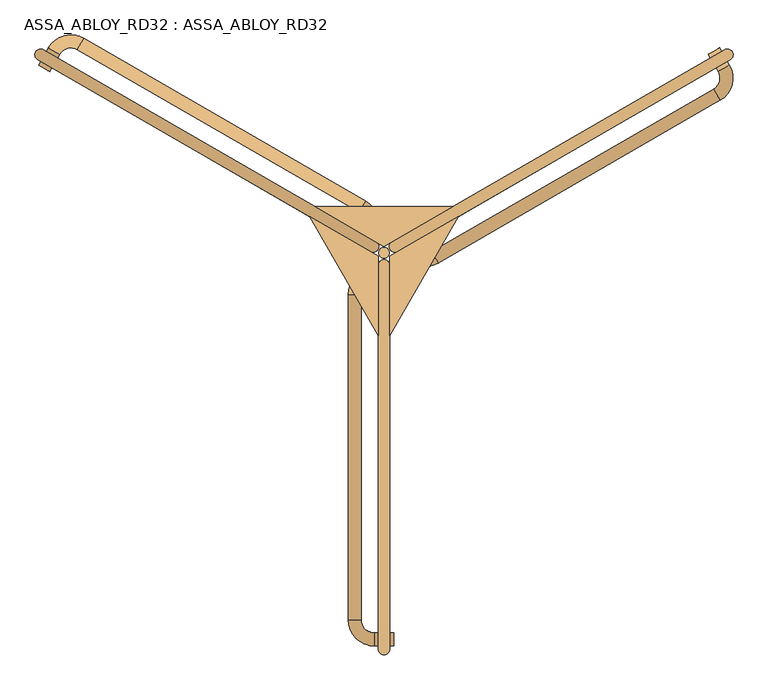
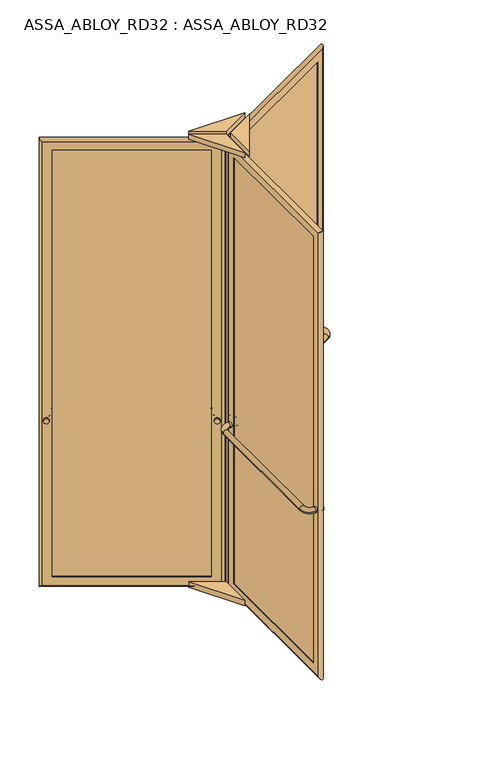
"""IFC4 building model written with IfcOpenShell, lengths in millimetres: door geometry, ASSA_ABLOY_RD32 : ASSA_ABLOY_RD32."""

import ifcopenshell
import ifcopenshell.guid

model = None  # the IFC model being written
_history = None  # IfcOwnerHistory: only IFC2X3 demands one
_inside = {}  # id of a spatial element -> (the spatial element, [elements in it])
_under = {}  # id of a project, library or spatial element -> (it, [spatial elements below it])
_declared = {}  # id of a project -> (the project, [libraries it declares])
_typed = {}  # id of a type object -> (the type object, [elements of that type])
_made_of = {}  # id of a material, layer set ... -> (it, [elements and type objects made of it])


def new_model(schema):
    """Start an empty IFC model of exactly this schema.

    Asked for "IFC4X3", IfcOpenShell would pick the latest addendum, in which some entities
    have other attributes; the version numbers below select the first issue.
    IFC2X3 requires an IfcOwnerHistory on every rooted entity: one is made here for all.
    """
    global model, _history
    if schema == "IFC4X3":
        model = ifcopenshell.file(schema_version=(4, 3, 0, 0))
    else:
        model = ifcopenshell.file(schema=schema)
    _inside.clear()
    _under.clear()
    _declared.clear()
    _typed.clear()
    _made_of.clear()
    _history = None
    if model.schema == "IFC2X3":
        org = make("IfcOrganization", Name="unknown")
        user = make(
            "IfcPersonAndOrganization",
            ThePerson=make("IfcPerson", FamilyName="unknown"),
            TheOrganization=org,
        )
        app = make(
            "IfcApplication",
            ApplicationDeveloper=org,
            Version="unknown",
            ApplicationFullName="unknown",
            ApplicationIdentifier="unknown",
        )
        _history = make(
            "IfcOwnerHistory",
            OwningUser=user,
            OwningApplication=app,
            ChangeAction="ADDED",
            CreationDate=0,
        )
    return model


def make(cls, **values):
    """One entity of the class cls with the attributes given. An attribute that is None is left unset."""
    return model.create_entity(
        cls, **{name: value for name, value in values.items() if value is not None}
    )


def rooted(cls, **values):
    """An entity with a GlobalId (a new one), such as an element, a storey or a relation."""
    return make(cls, GlobalId=ifcopenshell.guid.new(), OwnerHistory=_history, **values)


def si_unit(unit_type, name, prefix=None):
    """IfcSIUnit, for example si_unit("LENGTHUNIT", "METRE", prefix="MILLI")."""
    return make("IfcSIUnit", UnitType=unit_type, Prefix=prefix, Name=name)


def assignment(units):
    """IfcUnitAssignment: the units of a project."""
    return None if units is None else make("IfcUnitAssignment", Units=units)


def point(xyz):
    """IfcCartesianPoint."""
    return None if xyz is None else make("IfcCartesianPoint", Coordinates=xyz)


def direction(xyz):
    """IfcDirection."""
    return None if xyz is None else make("IfcDirection", DirectionRatios=xyz)


def frame(location, z_axis=None, x_axis=None):
    """IfcAxis2Placement3D, a coordinate frame: its origin and axes. An axis left out is left unset."""
    return make(
        "IfcAxis2Placement3D",
        Location=point(location),
        Axis=direction(z_axis),
        RefDirection=direction(x_axis),
    )


def frame_2d(location, x_axis=None):
    """IfcAxis2Placement2D, a coordinate frame in the plane: its origin and x axis."""
    return make(
        "IfcAxis2Placement2D", Location=point(location), RefDirection=direction(x_axis)
    )


def origin():
    """The frame at (0, 0, 0) with its axes left unset."""
    return frame((0.0, 0.0, 0.0))


def origin_with_axes():
    """The frame at (0, 0, 0) with the z axis (0, 0, 1) and the x axis (1, 0, 0) written out."""
    return frame((0.0, 0.0, 0.0), z_axis=(0.0, 0.0, 1.0), x_axis=(1.0, 0.0, 0.0))


def origin_2d():
    """The frame at (0, 0) in the plane with its x axis left unset."""
    return frame_2d((0.0, 0.0))


def place(relative_to, where):
    """IfcLocalPlacement: puts the frame where relative to a parent placement (None: the world)."""
    return make(
        "IfcLocalPlacement", PlacementRelTo=relative_to, RelativePlacement=where
    )


def context(
    kind, dimensions, precision=None, world=None, true_north=None, identifier=None
):
    """IfcGeometricRepresentationContext, for example the 3D "Model" context."""
    return make(
        "IfcGeometricRepresentationContext",
        ContextIdentifier=identifier,
        ContextType=kind,
        CoordinateSpaceDimension=dimensions,
        Precision=precision,
        WorldCoordinateSystem=world,
        TrueNorth=true_north,
    )


def project(units=None, contexts=None):
    """IfcProject with its units and contexts."""
    return rooted(
        "IfcProject",
        Name="project",
        RepresentationContexts=contexts,
        UnitsInContext=assignment(units),
    )


def spatial(cls, under=None, at=None, **own):
    """A site, building, storey or space (cls), placed at a placement, below another one or the project."""
    s = rooted(cls, ObjectPlacement=at, **own)
    if under is not None:
        _under.setdefault(under.id(), (under, []))[1].append(s)
    return s


def polyline(points):
    """IfcPolyline through the points."""
    return make("IfcPolyline", Points=[point(p) for p in points])


def circle_curve(where, radius):
    """IfcCircle in the frame where."""
    return make("IfcCircle", Position=where, Radius=radius)


def ellipse_curve(where, semi_axis1, semi_axis2):
    """IfcEllipse in the frame where."""
    return make(
        "IfcEllipse", Position=where, SemiAxis1=semi_axis1, SemiAxis2=semi_axis2
    )


def trimmed(basis, trim1, trim2, sense, master):
    """IfcTrimmedCurve: the piece of a basis curve between two trims."""
    return make(
        "IfcTrimmedCurve",
        BasisCurve=basis,
        Trim1=trim1,
        Trim2=trim2,
        SenseAgreement=sense,
        MasterRepresentation=master,
    )


def segment(curve, same_sense, transition):
    """IfcCompositeCurveSegment."""
    return make(
        "IfcCompositeCurveSegment",
        Transition=transition,
        SameSense=same_sense,
        ParentCurve=curve,
    )


def composite_curve(segments, self_intersect=None):
    """IfcCompositeCurve: segments joined end to end."""
    return make("IfcCompositeCurve", Segments=segments, SelfIntersect=self_intersect)


def outline(outer, holes=None, kind="AREA"):
    """IfcArbitraryClosedProfileDef: a profile drawn as a closed curve; with holes, ...WithVoids."""
    if holes is None:
        return make("IfcArbitraryClosedProfileDef", ProfileType=kind, OuterCurve=outer)
    return make(
        "IfcArbitraryProfileDefWithVoids",
        ProfileType=kind,
        OuterCurve=outer,
        InnerCurves=holes,
    )


def extrude(swept, where, along, depth):
    """IfcExtrudedAreaSolid: the profile swept, set in the frame where, extruded along a direction by depth."""
    return make(
        "IfcExtrudedAreaSolid",
        SweptArea=swept,
        Position=where,
        ExtrudedDirection=direction(along),
        Depth=depth,
    )


def shape(context_of_items, identifier, shape_type, items):
    """IfcShapeRepresentation: the items that make up one representation, for example the "Body"."""
    return make(
        "IfcShapeRepresentation",
        ContextOfItems=context_of_items,
        RepresentationIdentifier=identifier,
        RepresentationType=shape_type,
        Items=items,
    )


def source(mapping_origin, context_of_items, identifier, shape_type, items):
    """IfcRepresentationMap: a shape defined once, which mapped items show again and again."""
    return make(
        "IfcRepresentationMap",
        MappingOrigin=mapping_origin,
        MappedRepresentation=shape(context_of_items, identifier, shape_type, items),
    )


def transform(
    local_origin,
    x_axis=None,
    y_axis=None,
    z_axis=None,
    scale=None,
    scale2=None,
    scale3=None,
    uniform=True,
):
    """IfcCartesianTransformationOperator3D, or its non-uniform kind. x_axis, y_axis, z_axis: its Axis1, 2, 3."""
    if uniform:
        return make(
            "IfcCartesianTransformationOperator3D",
            Axis1=direction(x_axis),
            Axis2=direction(y_axis),
            LocalOrigin=point(local_origin),
            Scale=scale,
            Axis3=direction(z_axis),
        )
    return make(
        "IfcCartesianTransformationOperator3DnonUniform",
        Axis1=direction(x_axis),
        Axis2=direction(y_axis),
        LocalOrigin=point(local_origin),
        Scale=scale,
        Axis3=direction(z_axis),
        Scale2=scale2,
        Scale3=scale3,
    )


def mapped(mapping_source, mapping_target):
    """IfcMappedItem: shows the shape of a source again, moved by a transform."""
    return make(
        "IfcMappedItem", MappingSource=mapping_source, MappingTarget=mapping_target
    )


def made_of(thing, what):
    """Note that an element or type object is made of a material, layer set ...; save() writes the relation."""
    if what is not None:
        _made_of.setdefault(what.id(), (what, []))[1].append(thing)
    return thing


def element(
    cls,
    number,
    at=None,
    inside=None,
    cuts=None,
    type_object=None,
    material=None,
    context=None,
    identifier="Body",
    shape_type=None,
    held_by="IfcProductDefinitionShape",
    body=None,
    shapes=None,
    **own,
):
    """One element of the class cls, such as IfcWall. Its Tag is "e" and its number.

    at: its placement. inside: the storey or other place that contains it. cuts: it is an
    opening in that element (IfcRelVoidsElement). A single representation is given by context,
    identifier, shape_type and body (its items); several are given by shapes. held_by: the class
    of the entity that holds the representations. save() writes the other relations.
    """
    e = rooted(cls, Tag="e%d" % number, ObjectPlacement=at, **own)
    if body is not None:
        shapes = [shape(context, identifier, shape_type, body)]
    if shapes is not None:
        e.Representation = make(held_by, Representations=shapes)
    if inside is not None:
        _inside.setdefault(inside.id(), (inside, []))[1].append(e)
    if cuts is not None:
        rooted(
            "IfcRelVoidsElement", RelatingBuildingElement=cuts, RelatedOpeningElement=e
        )
    if type_object is not None:
        _typed.setdefault(type_object.id(), (type_object, []))[1].append(e)
    return made_of(e, material)


def aggregate(whole, parts):
    """IfcRelAggregates: a whole, such as a stair, and the parts it consists of."""
    return rooted("IfcRelAggregates", RelatingObject=whole, RelatedObjects=parts)


def save(model, path):
    """Write the relations noted so far, then the file.

    IfcRelAggregates (storeys below a building ...), IfcRelContainedInSpatialStructure (elements
    in a storey), IfcRelDefinesByType, IfcRelAssociatesMaterial and IfcRelDeclares: one each for
    every whole, place, type object, material and project.
    """
    for whole, parts in _under.values():
        aggregate(whole, parts)
    for where, things in _inside.values():
        rooted(
            "IfcRelContainedInSpatialStructure",
            RelatedElements=things,
            RelatingStructure=where,
        )
    for kind, things in _typed.values():
        rooted("IfcRelDefinesByType", RelatedObjects=things, RelatingType=kind)
    for what, things in _made_of.values():
        rooted("IfcRelAssociatesMaterial", RelatedObjects=things, RelatingMaterial=what)
    for by, libraries in _declared.values():
        rooted("IfcRelDeclares", RelatingContext=by, RelatedDefinitions=libraries)
    model.write(path)


def plane_surface(at):
    """IfcPlane: the flat surface through the origin of the frame at, square to its z axis."""
    return make("IfcPlane", Position=at)


def cylinder_surface(at, radius):
    """IfcCylindricalSurface: all points at the distance radius from the z axis of the frame at."""
    return make("IfcCylindricalSurface", Position=at, Radius=radius)


def revolved_surface(curve, axis_point, axis_direction):
    """IfcSurfaceOfRevolution: the curve turned about the line through axis_point along axis_direction."""
    return make(
        "IfcSurfaceOfRevolution",
        SweptCurve=make("IfcArbitraryOpenProfileDef", ProfileType="CURVE", Curve=curve),
        AxisPosition=make("IfcAxis1Placement", Location=point(axis_point), Axis=direction(axis_direction)),
    )


def advanced_brep(points, edges, surfaces, faces):
    """IfcAdvancedBrep: a solid bounded by faces that lie on surfaces and meet in shared edges.

    An edge is (start, end): straight between two places in points (the first is 0);
    or (start, end, curve); or (start, end, curve, False) where it runs against its curve.
    A face is (place in surfaces, loops), or (place, loops, False) where it looks against
    its surface's normal. A loop lists edges by number (the first is 1), with a minus sign
    where the edge is run from its end to its start. The first loop is the outer one.
    """
    corners = [point(p) for p in points]
    vertices = [make("IfcVertexPoint", VertexGeometry=c) for c in corners]
    made = []
    for start, end, *more in edges:
        made.append(
            make(
                "IfcEdgeCurve",
                EdgeStart=vertices[start],
                EdgeEnd=vertices[end],
                EdgeGeometry=more[0] if more else make("IfcPolyline", Points=[corners[start], corners[end]]),
                SameSense=more[1] if len(more) > 1 else True,
            )
        )
    hull = []
    for where, loops, *sense in faces:
        bounds = []
        for j, loop in enumerate(loops):
            ring = [make("IfcOrientedEdge", EdgeElement=made[abs(k) - 1], Orientation=k > 0) for k in loop]
            bounds.append(
                make(
                    "IfcFaceOuterBound" if j == 0 else "IfcFaceBound",
                    Bound=make("IfcEdgeLoop", EdgeList=ring),
                    Orientation=True,
                )
            )
        hull.append(make("IfcAdvancedFace", Bounds=bounds, FaceSurface=surfaces[where], SameSense=sense[0] if sense else True))
    return make("IfcAdvancedBrep", Outer=make("IfcClosedShell", CfsFaces=hull))


def assa_abloy_rd32_assa_abloy_rd32_c6aca465(model_context):
    return source(origin(), model_context, "Body", "SolidModel", [
        extrude(outline(composite_curve([segment(trimmed(circle_curve(origin_2d(), 15.0), [point((0.0, 15.0))], [point((0.0, -15.0))], False, "CARTESIAN"), True, "CONTINUOUS"), segment(trimmed(circle_curve(origin_2d(), 15.0), [point((0.0, -15.0))], [point((0.0, 15.0))], False, "CARTESIAN"), True, "CONTINUOUS")], self_intersect=False)), frame((894.6319669, 459.3583302, 1050.0), z_axis=(-0.4999999999999966, 0.8660254037844406, 0.0), x_axis=(0.0, 0.0, 1.0)), (0.0, 0.0, 1.0), 10.0),
        extrude(outline(composite_curve([segment(trimmed(circle_curve(origin_2d(), 15.0), [point((0.0, 15.0))], [point((0.0, -15.0))], False, "CARTESIAN"), True, "CONTINUOUS"), segment(trimmed(circle_curve(origin_2d(), 15.0), [point((0.0, -15.0))], [point((0.0, 15.0))], False, "CARTESIAN"), True, "CONTINUOUS")], self_intersect=False)), frame((163.533321, 37.2583302, 1050.0), z_axis=(-0.4999999999999966, 0.8660254037844406, 0.0), x_axis=(0.0, 0.0, 1.0)), (0.0, 0.0, 1.0), 10.0),
        advanced_brep(
        [(163.5429399, 7.2416698, 1050.0), (189.5237021, 22.2416698, 1050.0), (168.5429399, -1.4185843, 1050.0), (194.5237021, 13.5814157, 1050.0), (235.5044642, 2.6006536, 1050.0), (250.5044642, -23.3801085, 1050.0), (903.6608237, 353.7198915, 1050.0), (888.6608237, 379.7006536, 1050.0), (899.6415858, 420.6814157, 1050.0), (925.6223479, 435.6814157, 1050.0), (920.6223479, 444.3416698, 1050.0), (894.6415858, 429.3416698, 1050.0)],
        [
            (0, 1, circle_curve(frame((176.533321, 14.7416698, 1050.0), z_axis=(-0.4999999999999966, 0.8660254037844406, 0.0), x_axis=(0.8660254037844406, 0.4999999999999966, 0.0)), 15.0)),
            (1, 0, circle_curve(frame((176.533321, 14.7416698, 1050.0), z_axis=(-0.4999999999999966, 0.8660254037844406, 0.0), x_axis=(0.8660254037844406, 0.4999999999999966, 0.0)), 15.0)),
            (0, 2),
            (2, 3, circle_curve(frame((181.533321, 6.0814157, 1050.0), z_axis=(-0.4999999999999966, 0.8660254037844406, 0.0), x_axis=(0.8660254037844406, 0.4999999999999966, 0.0)), 15.0)),
            (3, 1),
            (3, 2, circle_curve(frame((181.533321, 6.0814157, 1050.0), z_axis=(-0.4999999999999966, 0.8660254037844406, 0.0), x_axis=(0.8660254037844406, 0.4999999999999966, 0.0)), 15.0)),
            (4, 3, circle_curve(frame((220.5044642, 28.5814157, 1050.0), z_axis=(0.0, 0.0, -1.0), x_axis=(-0.8660254037844438, -0.499999999999991, 0.0)), 30.0)),
            (2, 5, circle_curve(frame((220.5044642, 28.5814157, 1050.0), z_axis=(0.0, 0.0, 1.0), x_axis=(-0.8660254037844438, -0.499999999999991, 0.0)), 60.0)),
            (5, 4, circle_curve(frame((243.0044642, -10.3897275, 1050.0), z_axis=(-0.8660254037844638, -0.49999999999995637, 0.0), x_axis=(-0.49999999999995637, 0.8660254037844638, 0.0)), 15.0)),
            (4, 5, circle_curve(frame((243.0044642, -10.3897275, 1050.0), z_axis=(-0.866025403784482, -0.4999999999999248, 0.0), x_axis=(-0.4999999999999248, 0.866025403784482, 0.0)), 15.0)),
            (5, 6),
            (6, 7, circle_curve(frame((896.1608237, 366.7102725, 1050.0), z_axis=(-0.8660254037844406, -0.4999999999999966, 0.0), x_axis=(-0.4999999999999966, 0.8660254037844406, 0.0)), 15.0)),
            (7, 4),
            (7, 6, circle_curve(frame((896.1608237, 366.7102725, 1050.0), z_axis=(-0.8660254037844406, -0.4999999999999966, 0.0), x_axis=(-0.4999999999999966, 0.8660254037844406, 0.0)), 15.0)),
            (8, 7, circle_curve(frame((873.6608237, 405.6814157, 1050.0), z_axis=(0.0, 0.0, -1.0), x_axis=(0.4999999999999914, -0.8660254037844436, 0.0)), 30.0)),
            (6, 9, circle_curve(frame((873.6608237, 405.6814157, 1050.0), z_axis=(0.0, 0.0, 1.0), x_axis=(0.4999999999999914, -0.8660254037844436, 0.0)), 60.0)),
            (9, 8, circle_curve(frame((912.6319669, 428.1814157, 1050.0), z_axis=(0.4999999999999946, -0.8660254037844417, 0.0), x_axis=(-0.8660254037844417, -0.4999999999999946, 0.0)), 15.0)),
            (8, 9, circle_curve(frame((912.6319669, 428.1814157, 1050.0), z_axis=(0.4999999999999925, -0.8660254037844429, 0.0), x_axis=(-0.8660254037844429, -0.4999999999999925, 0.0)), 15.0)),
            (10, 11, circle_curve(frame((907.6319669, 436.8416698, 1050.0), z_axis=(-0.4999999999999966, 0.8660254037844406, 0.0), x_axis=(-0.8660254037844406, -0.4999999999999966, 0.0)), 15.0)),
            (11, 10, circle_curve(frame((907.6319669, 436.8416698, 1050.0), z_axis=(-0.4999999999999966, 0.8660254037844406, 0.0), x_axis=(-0.8660254037844406, -0.4999999999999966, 0.0)), 15.0)),
            (9, 10),
            (11, 8),
        ],
        [
            plane_surface(frame((176.533321, 14.7416698, 1050.0), z_axis=(-0.4999999999999966, 0.8660254037844406, 0.0), x_axis=(0.0, 0.0, 1.0))),
            cylinder_surface(frame((176.533321, 14.7416698, 1050.0), z_axis=(-0.4999999999999966, 0.8660254037844406, 0.0), x_axis=(0.8660254037844406, 0.4999999999999966, 0.0)), 15.0),
            revolved_surface(trimmed(ellipse_curve(frame((181.533321, 6.0814157, 1050.0), z_axis=(-0.499999999999991, 0.8660254037844438, 0.0), x_axis=(0.8660254037844438, 0.499999999999991, 0.0)), 15.0, 15.0), [point((168.5429399, -1.4185843, 1050.0))], [point((194.5237021, 13.5814157, 1050.0))], True, "CARTESIAN"), (220.5044642, 28.5814157, 1050.0), (0.0, 0.0, 1.0)),
            revolved_surface(trimmed(ellipse_curve(frame((181.533321, 6.0814157, 1050.0), z_axis=(-0.499999999999991, 0.8660254037844438, 0.0), x_axis=(0.8660254037844438, 0.499999999999991, 0.0)), 15.0, 15.0), [point((194.5237021, 13.5814157, 1050.0))], [point((168.5429399, -1.4185843, 1050.0))], True, "CARTESIAN"), (220.5044642, 28.5814157, 1050.0), (0.0, 0.0, 1.0)),
            cylinder_surface(frame((243.0044642, -10.3897275, 1050.0), z_axis=(-0.8660254037844406, -0.4999999999999966, 0.0), x_axis=(-0.4999999999999966, 0.8660254037844406, 0.0)), 15.0),
            revolved_surface(trimmed(ellipse_curve(frame((896.1608237, 366.7102725, 1050.0), z_axis=(-0.8660254037844436, -0.4999999999999914, 0.0), x_axis=(-0.4999999999999914, 0.8660254037844436, 0.0)), 15.0, 15.0), [point((903.6608237, 353.7198915, 1050.0))], [point((888.6608237, 379.7006536, 1050.0))], True, "CARTESIAN"), (873.6608237, 405.6814157, 1050.0), (0.0, 0.0, 1.0)),
            revolved_surface(trimmed(ellipse_curve(frame((896.1608237, 366.7102725, 1050.0), z_axis=(-0.8660254037844436, -0.4999999999999914, 0.0), x_axis=(-0.4999999999999914, 0.8660254037844436, 0.0)), 15.0, 15.0), [point((888.6608237, 379.7006536, 1050.0))], [point((903.6608237, 353.7198915, 1050.0))], True, "CARTESIAN"), (873.6608237, 405.6814157, 1050.0), (0.0, 0.0, 1.0)),
            plane_surface(frame((907.6319669, 436.8416698, 1050.0), z_axis=(-0.4999999999999966, 0.8660254037844406, 0.0), x_axis=(0.0, 0.0, 1.0))),
            cylinder_surface(frame((912.6319669, 428.1814157, 1050.0), z_axis=(0.4999999999999966, -0.8660254037844406, 0.0), x_axis=(-0.8660254037844406, -0.4999999999999966, 0.0)), 15.0),
        ],
        [
            (0, [[1, 2]]),
            (1, [[-1, 3, 4, 5]]),
            (1, [[-2, -5, 6, -3]]),
            (2, [[7, -4, 8, 9]]),
            (3, [[-8, -6, -7, 10]]),
            (4, [[-9, 11, 12, 13]]),
            (4, [[-10, -13, 14, -11]]),
            (5, [[15, -12, 16, 17]]),
            (6, [[-16, -14, -15, 18]]),
            (7, [[19, 20]]),
            (8, [[-17, 21, -20, 22]]),
            (8, [[-18, -22, -19, -21]]),
        ],
    ),
        advanced_brep(
        [(881.0172302, 424.939746, 105.0), (882.5172302, 422.3416698, 105.0), (882.5172302, 422.3416698, 2679.0), (881.0172302, 424.939746, 2679.0), (888.3377382, 452.260254, 85.0), (898.3377382, 434.939746, 85.0), (898.3377382, 434.939746, 2699.0), (888.3377382, 452.260254, 2699.0), (869.5172302, 444.8583302, 105.0), (871.0172302, 442.260254, 105.0), (871.0172302, 442.260254, 2679.0), (869.5172302, 444.8583302, 2679.0), (927.5505512, 448.3416698, 53.0), (914.5505512, 470.8583302, 53.0), (914.5505512, 470.8583302, 2731.0), (927.5505512, 448.3416698, 2731.0), (201.6480577, 29.2416698, 2679.0), (200.1480577, 31.839746, 2679.0), (182.8275496, 21.839746, 2699.0), (172.8275496, 39.160254, 2699.0), (190.1480577, 49.160254, 2679.0), (188.6480577, 51.7583302, 2679.0), (143.6147367, 25.7583302, 2731.0), (156.6147367, 3.2416698, 2731.0), (201.6480577, 29.2416698, 105.0), (200.1480577, 31.839746, 105.0), (182.8275496, 21.839746, 85.0), (172.8275496, 39.160254, 85.0), (190.1480577, 49.160254, 105.0), (188.6480577, 51.7583302, 105.0), (143.6147367, 25.7583302, 53.0), (156.6147367, 3.2416698, 53.0)],
        [
            (0, 1),
            (1, 2),
            (2, 3),
            (3, 0),
            (4, 5),
            (5, 6),
            (6, 7),
            (7, 4),
            (8, 9),
            (9, 10),
            (10, 11),
            (11, 8),
            (12, 13, ellipse_curve(frame((921.0505512, 459.6, 53.0), z_axis=(0.6123724356958007, 0.35355339059326285, 0.7071067811865475), x_axis=(0.6123724356957908, 0.3535533905932797, -0.7071067811865477)), 18.3847763, 13.0)),
            (13, 14),
            (14, 15, ellipse_curve(frame((921.0505512, 459.6, 2731.0), z_axis=(0.612372435695791, 0.3535533905932798, -0.7071067811865475), x_axis=(-0.6123724356958007, -0.3535533905932628, -0.7071067811865476)), 18.3847763, 13.0)),
            (15, 12),
            (2, 16),
            (16, 17),
            (17, 3),
            (6, 18),
            (18, 19),
            (19, 7),
            (10, 20),
            (20, 21),
            (21, 11),
            (14, 22),
            (22, 23, ellipse_curve(frame((150.1147367, 14.5, 2731.0), z_axis=(0.6123724356958007, 0.35355339059326285, 0.7071067811865475), x_axis=(0.6123724356957913, 0.35355339059327995, -0.7071067811865472)), 18.3847763, 13.0)),
            (23, 15),
            (16, 24),
            (24, 25),
            (25, 17),
            (18, 26),
            (26, 27),
            (27, 19),
            (20, 28),
            (28, 29),
            (29, 21),
            (22, 30),
            (30, 31, ellipse_curve(frame((150.1147367, 14.5, 53.0), z_axis=(-0.612372435695791, -0.3535533905932798, 0.7071067811865475), x_axis=(0.6123724356958007, 0.3535533905932628, 0.7071067811865476)), 18.3847763, 13.0)),
            (31, 23),
            (24, 1),
            (0, 25),
            (5, 26),
            (4, 27),
            (9, 28),
            (8, 29),
            (13, 30),
            (12, 31),
        ],
        [
            plane_surface(frame((882.5172302, 422.3416698, 105.0), z_axis=(-0.8660254037844419, -0.49999999999999445, 0.0), x_axis=(0.0, 0.0, 1.0))),
            plane_surface(frame((898.3377382, 434.939746, 85.0), z_axis=(-0.8660254037844408, -0.4999999999999964, 0.0), x_axis=(0.0, 0.0, 1.0))),
            plane_surface(frame((871.0172302, 442.260254, 105.0), z_axis=(-0.8660254037844419, -0.49999999999999445, 0.0), x_axis=(0.0, 0.0, 1.0))),
            cylinder_surface(frame((921.0505512, 459.6, 40.0), z_axis=(0.0, 0.0, -1.0), x_axis=(-0.8660254037844406, -0.4999999999999966, 0.0)), 13.0),
            plane_surface(frame((882.5172302, 422.3416698, 2679.0), z_axis=(0.0, 0.0, -1.0), x_axis=(-0.8660254037844406, -0.4999999999999966, 0.0))),
            plane_surface(frame((898.3377382, 434.939746, 2699.0), z_axis=(0.0, 0.0, -1.0), x_axis=(-0.8660254037844406, -0.4999999999999966, 0.0))),
            plane_surface(frame((871.0172302, 442.260254, 2679.0), z_axis=(0.0, 0.0, -1.0), x_axis=(-0.8660254037844406, -0.4999999999999966, 0.0))),
            cylinder_surface(frame((932.3088814, 466.1, 2731.0), z_axis=(0.8660254037844406, 0.4999999999999966, 0.0), x_axis=(0.0, 0.0, -1.0)), 13.0),
            plane_surface(frame((201.6480577, 29.2416698, 2679.0), z_axis=(0.8660254037844394, 0.49999999999999883, 0.0), x_axis=(0.0, 0.0, -1.0))),
            plane_surface(frame((182.8275496, 21.839746, 2699.0), z_axis=(0.8660254037844405, 0.4999999999999969, 0.0), x_axis=(0.0, 0.0, -1.0))),
            plane_surface(frame((190.1480577, 49.160254, 2679.0), z_axis=(0.8660254037844394, 0.49999999999999883, 0.0), x_axis=(0.0, 0.0, -1.0))),
            cylinder_surface(frame((150.1147367, 14.5, 2744.0), z_axis=(0.0, 0.0, 1.0), x_axis=(0.8660254037844406, 0.4999999999999966, 0.0)), 13.0),
            plane_surface(frame((201.6480577, 29.2416698, 105.0), z_axis=(0.0, 0.0, 1.0), x_axis=(0.8660254037844406, 0.4999999999999966, 0.0))),
            plane_surface(frame((200.1480577, 31.839746, 105.0), z_axis=(-0.4999999999999966, 0.8660254037844406, 0.0), x_axis=(0.8660254037844406, 0.4999999999999966, 0.0))),
            plane_surface(frame((182.8275496, 21.839746, 85.0), z_axis=(0.0, 0.0, 1.0), x_axis=(0.8660254037844406, 0.4999999999999966, 0.0))),
            plane_surface(frame((172.8275496, 39.160254, 85.0), z_axis=(0.4999999999999966, -0.8660254037844406, 0.0), x_axis=(0.8660254037844406, 0.4999999999999966, 0.0))),
            plane_surface(frame((190.1480577, 49.160254, 105.0), z_axis=(0.0, 0.0, 1.0), x_axis=(0.8660254037844406, 0.4999999999999966, 0.0))),
            plane_surface(frame((188.6480577, 51.7583302, 105.0), z_axis=(-0.4999999999999966, 0.8660254037844406, 0.0), x_axis=(0.8660254037844406, 0.4999999999999966, 0.0))),
            cylinder_surface(frame((138.8564065, 8.0, 53.0), z_axis=(-0.8660254037844406, -0.4999999999999966, 0.0), x_axis=(0.0, 0.0, 1.0)), 13.0),
            plane_surface(frame((156.6147367, 3.2416698, 53.0), z_axis=(0.4999999999999966, -0.8660254037844406, 0.0), x_axis=(0.8660254037844406, 0.4999999999999966, 0.0))),
        ],
        [
            (0, [[1, 2, 3, 4]]),
            (1, [[5, 6, 7, 8]]),
            (2, [[9, 10, 11, 12]]),
            (3, [[13, 14, 15, 16]]),
            (4, [[-3, 17, 18, 19]]),
            (5, [[-7, 20, 21, 22]]),
            (6, [[-11, 23, 24, 25]]),
            (7, [[-15, 26, 27, 28]]),
            (8, [[-18, 29, 30, 31]]),
            (9, [[-21, 32, 33, 34]]),
            (10, [[-24, 35, 36, 37]]),
            (11, [[-27, 38, 39, 40]]),
            (12, [[-30, 41, -1, 42]]),
            (13, [[43, -32, -20, -6], [-19, -31, -42, -4]]),
            (14, [[-33, -43, -5, 44]]),
            (15, [[-22, -34, -44, -8], [45, -35, -23, -10]]),
            (16, [[-36, -45, -9, 46]]),
            (17, [[47, -38, -26, -14], [-25, -37, -46, -12]]),
            (18, [[-39, -47, -13, 48]]),
            (19, [[-28, -40, -48, -16], [-41, -29, -17, -2]]),
        ],
    ),
        extrude(outline(polyline([(890.8377382, 447.930127), (895.8377382, 439.269873), (180.3275496, 26.169873), (175.3275496, 34.830127), (890.8377382, 447.930127)])), frame((0.0, 0.0, 85.0), z_axis=(0.0, 0.0, 1.0), x_axis=(1.0, 0.0, 0.0)), (0.0, 0.0, 1.0), 2614.0),
        extrude(outline(composite_curve([segment(trimmed(circle_curve(origin_2d(), 15.0), [point((0.0, -15.0))], [point((0.0, 15.0))], False, "CARTESIAN"), True, "CONTINUOUS"), segment(trimmed(circle_curve(origin_2d(), 15.0), [point((0.0, 15.0))], [point((0.0, -15.0))], False, "CARTESIAN"), True, "CONTINUOUS")], self_intersect=False)), frame((-662.6319669, 428.1814157, 1050.0), z_axis=(0.49999999999999417, 0.866025403784442, 0.0), x_axis=(0.0, 0.0, 1.0)), (0.0, 0.0, 1.0), 10.0),
        extrude(outline(composite_curve([segment(trimmed(circle_curve(origin_2d(), 15.0), [point((0.0, -15.0))], [point((0.0, 15.0))], False, "CARTESIAN"), True, "CONTINUOUS"), segment(trimmed(circle_curve(origin_2d(), 15.0), [point((0.0, 15.0))], [point((0.0, -15.0))], False, "CARTESIAN"), True, "CONTINUOUS")], self_intersect=False)), frame((68.466679, 6.0814157, 1050.0), z_axis=(0.49999999999999417, 0.866025403784442, 0.0), x_axis=(0.0, 0.0, 1.0)), (0.0, 0.0, 1.0), 10.0),
        advanced_brep(
        [(99.4570601, 29.7583302, 1050.0), (73.4762979, 44.7583302, 1050.0), (104.4570601, 38.4185843, 1050.0), (78.4762979, 53.4185843, 1050.0), (67.4955358, 94.3993464, 1050.0), (82.4955358, 120.3801085, 1050.0), (-570.6608237, 497.4801085, 1050.0), (-585.6608237, 471.4993464, 1050.0), (-626.6415858, 460.5185843, 1050.0), (-652.6223479, 475.5185843, 1050.0), (-657.6223479, 466.8583302, 1050.0), (-631.6415858, 451.8583302, 1050.0)],
        [
            (0, 1, circle_curve(frame((86.466679, 37.2583302, 1050.0), z_axis=(-0.49999999999999417, -0.866025403784442, 0.0), x_axis=(-0.8660254037844415, 0.49999999999999384, 0.0)), 15.0)),
            (1, 0, circle_curve(frame((86.466679, 37.2583302, 1050.0), z_axis=(-0.49999999999999417, -0.866025403784442, 0.0), x_axis=(-0.8660254037844415, 0.49999999999999384, 0.0)), 15.0)),
            (0, 2),
            (2, 3, circle_curve(frame((91.466679, 45.9185843, 1050.0), z_axis=(-0.49999999999999417, -0.866025403784442, 0.0), x_axis=(-0.8660254037844415, 0.49999999999999384, 0.0)), 15.0)),
            (3, 1),
            (3, 2, circle_curve(frame((91.466679, 45.9185843, 1050.0), z_axis=(-0.49999999999999417, -0.866025403784442, 0.0), x_axis=(-0.8660254037844415, 0.49999999999999384, 0.0)), 15.0)),
            (4, 3, circle_curve(frame((52.4955358, 68.4185843, 1050.0), z_axis=(0.0, 0.0, -1.0), x_axis=(0.8660254037844383, -0.49999999999999944, 0.0)), 30.0)),
            (2, 5, circle_curve(frame((52.4955358, 68.4185843, 1050.0), z_axis=(0.0, 0.0, 1.0), x_axis=(0.8660254037844383, -0.49999999999999944, 0.0)), 60.0)),
            (5, 4, circle_curve(frame((74.9955358, 107.3897275, 1050.0), z_axis=(0.8660254037844182, -0.5000000000000342, 0.0), x_axis=(-0.5000000000000342, -0.8660254037844182, 0.0)), 15.0)),
            (4, 5, circle_curve(frame((74.9955358, 107.3897275, 1050.0), z_axis=(0.8660254037844, -0.5000000000000657, 0.0), x_axis=(-0.5000000000000657, -0.8660254037844, 0.0)), 15.0)),
            (5, 6),
            (6, 7, circle_curve(frame((-578.1608237, 484.4897275, 1050.0), z_axis=(0.866025403784442, -0.49999999999999417, 0.0), x_axis=(-0.49999999999999384, -0.8660254037844415, 0.0)), 15.0)),
            (7, 4),
            (7, 6, circle_curve(frame((-578.1608237, 484.4897275, 1050.0), z_axis=(0.866025403784442, -0.49999999999999417, 0.0), x_axis=(-0.49999999999999384, -0.8660254037844415, 0.0)), 15.0)),
            (8, 7, circle_curve(frame((-600.6608237, 445.5185843, 1050.0), z_axis=(0.0, 0.0, -1.0), x_axis=(0.49999999999999906, 0.8660254037844385, 0.0)), 30.0)),
            (6, 9, circle_curve(frame((-600.6608237, 445.5185843, 1050.0), z_axis=(0.0, 0.0, 1.0), x_axis=(0.49999999999999906, 0.8660254037844385, 0.0)), 60.0)),
            (9, 8, circle_curve(frame((-639.6319669, 468.0185843, 1050.0), z_axis=(0.49999999999999584, 0.8660254037844404, 0.0), x_axis=(0.8660254037844404, -0.49999999999999584, 0.0)), 15.0)),
            (8, 9, circle_curve(frame((-639.6319669, 468.0185843, 1050.0), z_axis=(0.49999999999999795, 0.8660254037844392, 0.0), x_axis=(0.8660254037844392, -0.49999999999999795, 0.0)), 15.0)),
            (10, 11, circle_curve(frame((-644.6319669, 459.3583302, 1050.0), z_axis=(-0.49999999999999417, -0.866025403784442, 0.0), x_axis=(0.8660254037844415, -0.49999999999999384, 0.0)), 15.0)),
            (11, 10, circle_curve(frame((-644.6319669, 459.3583302, 1050.0), z_axis=(-0.49999999999999417, -0.866025403784442, 0.0), x_axis=(0.8660254037844415, -0.49999999999999384, 0.0)), 15.0)),
            (9, 10),
            (11, 8),
        ],
        [
            plane_surface(frame((86.466679, 37.2583302, 1050.0), z_axis=(-0.49999999999999417, -0.866025403784442, 0.0), x_axis=(0.0, 0.0, 1.0))),
            cylinder_surface(frame((86.466679, 37.2583302, 1050.0), z_axis=(-0.49999999999999384, -0.8660254037844415, 0.0), x_axis=(-0.8660254037844415, 0.49999999999999384, 0.0)), 15.0),
            revolved_surface(trimmed(ellipse_curve(frame((91.466679, 45.9185843, 1050.0), z_axis=(-0.4999999999999995, -0.8660254037844383, 0.0), x_axis=(-0.8660254037844383, 0.4999999999999995, 0.0)), 15.0, 15.0), [point((104.4570601, 38.4185843, 1050.0))], [point((78.4762979, 53.4185843, 1050.0))], True, "CARTESIAN"), (52.4955358, 68.4185843, 1050.0), (0.0, 0.0, 1.0)),
            revolved_surface(trimmed(ellipse_curve(frame((91.466679, 45.9185843, 1050.0), z_axis=(-0.4999999999999995, -0.8660254037844383, 0.0), x_axis=(-0.8660254037844383, 0.4999999999999995, 0.0)), 15.0, 15.0), [point((78.4762979, 53.4185843, 1050.0))], [point((104.4570601, 38.4185843, 1050.0))], True, "CARTESIAN"), (52.4955358, 68.4185843, 1050.0), (0.0, 0.0, 1.0)),
            cylinder_surface(frame((74.9955358, 107.3897275, 1050.0), z_axis=(0.8660254037844415, -0.49999999999999384, 0.0), x_axis=(-0.49999999999999384, -0.8660254037844415, 0.0)), 15.0),
            revolved_surface(trimmed(ellipse_curve(frame((-578.1608237, 484.4897275, 1050.0), z_axis=(0.8660254037844385, -0.49999999999999906, 0.0), x_axis=(-0.49999999999999906, -0.8660254037844385, 0.0)), 15.0, 15.0), [point((-570.6608237, 497.4801085, 1050.0))], [point((-585.6608237, 471.4993464, 1050.0))], True, "CARTESIAN"), (-600.6608237, 445.5185843, 1050.0), (0.0, 0.0, 1.0)),
            revolved_surface(trimmed(ellipse_curve(frame((-578.1608237, 484.4897275, 1050.0), z_axis=(0.8660254037844385, -0.49999999999999906, 0.0), x_axis=(-0.49999999999999906, -0.8660254037844385, 0.0)), 15.0, 15.0), [point((-585.6608237, 471.4993464, 1050.0))], [point((-570.6608237, 497.4801085, 1050.0))], True, "CARTESIAN"), (-600.6608237, 445.5185843, 1050.0), (0.0, 0.0, 1.0)),
            plane_surface(frame((-644.6319669, 459.3583302, 1050.0), z_axis=(-0.49999999999999417, -0.866025403784442, 0.0), x_axis=(0.0, 0.0, 1.0))),
            cylinder_surface(frame((-639.6319669, 468.0185843, 1050.0), z_axis=(0.49999999999999384, 0.8660254037844415, 0.0), x_axis=(0.8660254037844415, -0.49999999999999384, 0.0)), 15.0),
        ],
        [
            (0, [[1, 2]]),
            (1, [[-1, 3, 4, 5]]),
            (1, [[-2, -5, 6, -3]]),
            (2, [[7, -4, 8, 9]]),
            (3, [[-8, -6, -7, 10]]),
            (4, [[-9, 11, 12, 13]]),
            (4, [[-10, -13, 14, -11]]),
            (5, [[15, -12, 16, 17]]),
            (6, [[-16, -14, -15, 18]]),
            (7, [[19, 20]]),
            (8, [[-17, 21, -20, 22]]),
            (8, [[-18, -22, -19, -21]]),
        ],
    ),
        advanced_brep(
        [(-621.0172302, 442.260254, 105.0), (-619.5172302, 444.8583302, 105.0), (-619.5172302, 444.8583302, 2679.0), (-621.0172302, 442.260254, 2679.0), (-648.3377382, 434.939746, 85.0), (-638.3377382, 452.260254, 85.0), (-638.3377382, 452.260254, 2699.0), (-648.3377382, 434.939746, 2699.0), (-632.5172302, 422.3416698, 105.0), (-631.0172302, 424.939746, 105.0), (-631.0172302, 424.939746, 2679.0), (-632.5172302, 422.3416698, 2679.0), (-664.5505512, 470.8583302, 53.0), (-677.5505512, 448.3416698, 53.0), (-677.5505512, 448.3416698, 2731.0), (-664.5505512, 470.8583302, 2731.0), (61.3519423, 51.7583302, 2679.0), (59.8519423, 49.160254, 2679.0), (77.1724504, 39.160254, 2699.0), (67.1724504, 21.839746, 2699.0), (49.8519423, 31.839746, 2679.0), (48.3519423, 29.2416698, 2679.0), (93.3852633, 3.2416698, 2731.0), (106.3852633, 25.7583302, 2731.0), (61.3519423, 51.7583302, 105.0), (59.8519423, 49.160254, 105.0), (77.1724504, 39.160254, 85.0), (67.1724504, 21.839746, 85.0), (49.8519423, 31.839746, 105.0), (48.3519423, 29.2416698, 105.0), (93.3852633, 3.2416698, 53.0), (106.3852633, 25.7583302, 53.0)],
        [
            (0, 1),
            (1, 2),
            (2, 3),
            (3, 0),
            (4, 5),
            (5, 6),
            (6, 7),
            (7, 4),
            (8, 9),
            (9, 10),
            (10, 11),
            (11, 8),
            (12, 13, ellipse_curve(frame((-671.0505512, 459.6, 53.0), z_axis=(-0.612372435695792, 0.35355339059327806, 0.7071067811865475), x_axis=(-0.6123724356958017, 0.3535533905932611, -0.7071067811865476)), 18.3847763, 13.0)),
            (13, 14),
            (14, 15, ellipse_curve(frame((-671.0505512, 459.6, 2731.0), z_axis=(-0.6123724356958017, 0.35355339059326113, -0.7071067811865475), x_axis=(0.6123724356957919, -0.353553390593278, -0.7071067811865477)), 18.3847763, 13.0)),
            (15, 12),
            (2, 16),
            (16, 17),
            (17, 3),
            (6, 18),
            (18, 19),
            (19, 7),
            (10, 20),
            (20, 21),
            (21, 11),
            (14, 22),
            (22, 23, ellipse_curve(frame((99.8852633, 14.5, 2731.0), z_axis=(-0.612372435695792, 0.35355339059327806, 0.7071067811865475), x_axis=(-0.6123724356958017, 0.3535533905932612, -0.7071067811865475)), 18.3847763, 13.0)),
            (23, 15),
            (16, 24),
            (24, 25),
            (25, 17),
            (18, 26),
            (26, 27),
            (27, 19),
            (20, 28),
            (28, 29),
            (29, 21),
            (22, 30),
            (30, 31, ellipse_curve(frame((99.8852633, 14.5, 53.0), z_axis=(0.6123724356958017, -0.35355339059326113, 0.7071067811865475), x_axis=(-0.6123724356957919, 0.353553390593278, 0.7071067811865477)), 18.3847763, 13.0)),
            (31, 23),
            (24, 1),
            (0, 25),
            (5, 26),
            (4, 27),
            (9, 28),
            (8, 29),
            (13, 30),
            (12, 31),
        ],
        [
            plane_surface(frame((-619.5172302, 444.8583302, 105.0), z_axis=(0.8660254037844408, -0.4999999999999964, 0.0), x_axis=(0.0, 0.0, 1.0))),
            plane_surface(frame((-638.3377382, 452.260254, 85.0), z_axis=(0.8660254037844419, -0.49999999999999445, 0.0), x_axis=(0.0, 0.0, 1.0))),
            plane_surface(frame((-631.0172302, 424.939746, 105.0), z_axis=(0.8660254037844408, -0.4999999999999964, 0.0), x_axis=(0.0, 0.0, 1.0))),
            cylinder_surface(frame((-671.0505512, 459.6, 40.0), z_axis=(0.0, 0.0, -1.0), x_axis=(0.8660254037844415, -0.49999999999999384, 0.0)), 13.0),
            plane_surface(frame((-619.5172302, 444.8583302, 2679.0), z_axis=(0.0, 0.0, -1.0), x_axis=(0.866025403784442, -0.49999999999999417, 0.0))),
            plane_surface(frame((-638.3377382, 452.260254, 2699.0), z_axis=(0.0, 0.0, -1.0), x_axis=(0.866025403784442, -0.49999999999999417, 0.0))),
            plane_surface(frame((-631.0172302, 424.939746, 2679.0), z_axis=(0.0, 0.0, -1.0), x_axis=(0.866025403784442, -0.49999999999999417, 0.0))),
            cylinder_surface(frame((-682.3088814, 466.1, 2731.0), z_axis=(-0.8660254037844415, 0.49999999999999384, 0.0), x_axis=(0.0, 0.0, -1.0)), 13.0),
            plane_surface(frame((61.3519423, 51.7583302, 2679.0), z_axis=(-0.8660254037844433, 0.49999999999999195, 0.0), x_axis=(0.0, 0.0, -1.0))),
            plane_surface(frame((77.1724504, 39.160254, 2699.0), z_axis=(-0.8660254037844421, 0.4999999999999939, 0.0), x_axis=(0.0, 0.0, -1.0))),
            plane_surface(frame((49.8519423, 31.839746, 2679.0), z_axis=(-0.8660254037844433, 0.49999999999999195, 0.0), x_axis=(0.0, 0.0, -1.0))),
            cylinder_surface(frame((99.8852633, 14.5, 2744.0), z_axis=(0.0, 0.0, 1.0), x_axis=(-0.8660254037844415, 0.49999999999999384, 0.0)), 13.0),
            plane_surface(frame((61.3519423, 51.7583302, 105.0), z_axis=(0.0, 0.0, 1.0), x_axis=(-0.866025403784442, 0.49999999999999417, 0.0))),
            plane_surface(frame((59.8519423, 49.160254, 105.0), z_axis=(-0.49999999999999417, -0.866025403784442, 0.0), x_axis=(-0.866025403784442, 0.49999999999999417, 0.0))),
            plane_surface(frame((77.1724504, 39.160254, 85.0), z_axis=(0.0, 0.0, 1.0), x_axis=(-0.866025403784442, 0.49999999999999417, 0.0))),
            plane_surface(frame((67.1724504, 21.839746, 85.0), z_axis=(0.49999999999999417, 0.866025403784442, 0.0), x_axis=(-0.866025403784442, 0.49999999999999417, 0.0))),
            plane_surface(frame((49.8519423, 31.839746, 105.0), z_axis=(0.0, 0.0, 1.0), x_axis=(-0.866025403784442, 0.49999999999999417, 0.0))),
            plane_surface(frame((48.3519423, 29.2416698, 105.0), z_axis=(-0.49999999999999417, -0.866025403784442, 0.0), x_axis=(-0.866025403784442, 0.49999999999999417, 0.0))),
            cylinder_surface(frame((111.1435935, 8.0, 53.0), z_axis=(0.8660254037844415, -0.49999999999999384, 0.0), x_axis=(0.0, 0.0, 1.0)), 13.0),
            plane_surface(frame((106.3852633, 25.7583302, 53.0), z_axis=(0.49999999999999417, 0.866025403784442, 0.0), x_axis=(-0.866025403784442, 0.49999999999999417, 0.0))),
        ],
        [
            (0, [[1, 2, 3, 4]]),
            (1, [[5, 6, 7, 8]]),
            (2, [[9, 10, 11, 12]]),
            (3, [[13, 14, 15, 16]]),
            (4, [[-3, 17, 18, 19]]),
            (5, [[-7, 20, 21, 22]]),
            (6, [[-11, 23, 24, 25]]),
            (7, [[-15, 26, 27, 28]]),
            (8, [[-18, 29, 30, 31]]),
            (9, [[-21, 32, 33, 34]]),
            (10, [[-24, 35, 36, 37]]),
            (11, [[-27, 38, 39, 40]]),
            (12, [[-30, 41, -1, 42]]),
            (13, [[43, -32, -20, -6], [-19, -31, -42, -4]]),
            (14, [[-33, -43, -5, 44]]),
            (15, [[-22, -34, -44, -8], [45, -35, -23, -10]]),
            (16, [[-36, -45, -9, 46]]),
            (17, [[47, -38, -26, -14], [-25, -37, -46, -12]]),
            (18, [[-39, -47, -13, 48]]),
            (19, [[-28, -40, -48, -16], [-41, -29, -17, -2]]),
        ],
    ),
        extrude(outline(polyline([(-645.8377382, 439.269873), (-640.8377382, 447.930127), (74.6724504, 34.830127), (69.6724504, 26.169873), (-645.8377382, 439.269873)])), frame((0.0, 0.0, 85.0), z_axis=(0.0, 0.0, 1.0), x_axis=(1.0, 0.0, 0.0)), (0.0, 0.0, 1.0), 2614.0),
        extrude(outline(composite_curve([segment(trimmed(circle_curve(frame_2d((-896.2, 1050.0)), 15.0), [point((-911.2, 1050.0))], [point((-881.2, 1050.0))], False, "CARTESIAN"), True, "CONTINUOUS"), segment(trimmed(circle_curve(frame_2d((-896.2, 1050.0)), 15.0), [point((-881.2, 1050.0))], [point((-911.2, 1050.0))], False, "CARTESIAN"), True, "CONTINUOUS")], self_intersect=False)), frame((138.0, 0.0, 0.0), z_axis=(1.0, 0.0, 0.0), x_axis=(0.0, 1.0, 0.0)), (0.0, 0.0, 1.0), 10.0),
        extrude(outline(composite_curve([segment(trimmed(circle_curve(frame_2d((-52.0, 1050.0)), 15.0), [point((-67.0, 1050.0))], [point((-37.0, 1050.0))], False, "CARTESIAN"), True, "CONTINUOUS"), segment(trimmed(circle_curve(frame_2d((-52.0, 1050.0)), 15.0), [point((-37.0, 1050.0))], [point((-67.0, 1050.0))], False, "CARTESIAN"), True, "CONTINUOUS")], self_intersect=False)), frame((138.0, 0.0, 0.0), z_axis=(1.0, 0.0, 0.0), x_axis=(0.0, 1.0, 0.0)), (0.0, 0.0, 1.0), 10.0),
        advanced_brep(
        [(112.0, -37.0, 1050.0), (112.0, -67.0, 1050.0), (102.0, -37.0, 1050.0), (102.0, -67.0, 1050.0), (72.0, -97.0, 1050.0), (42.0, -97.0, 1050.0), (42.0, -851.2, 1050.0), (72.0, -851.2, 1050.0), (102.0, -881.2, 1050.0), (102.0, -911.2, 1050.0), (112.0, -911.2, 1050.0), (112.0, -881.2, 1050.0)],
        [
            (0, 1, circle_curve(frame((112.0, -52.0, 1050.0), z_axis=(1.0, 0.0, 0.0), x_axis=(0.0, -1.0000000000000009, 0.0)), 15.0)),
            (1, 0, circle_curve(frame((112.0, -52.0, 1050.0), z_axis=(1.0, 0.0, 0.0), x_axis=(0.0, -1.0000000000000009, 0.0)), 15.0)),
            (0, 2),
            (2, 3, circle_curve(frame((102.0, -52.0, 1050.0), z_axis=(1.0, 0.0, 0.0), x_axis=(0.0, -1.0000000000000009, 0.0)), 15.0)),
            (3, 1),
            (3, 2, circle_curve(frame((102.0, -52.0, 1050.0), z_axis=(1.0, 0.0, 0.0), x_axis=(0.0, -1.0000000000000009, 0.0)), 15.0)),
            (4, 3, circle_curve(frame((102.0, -97.0, 1050.0), z_axis=(0.0, 0.0, -1.0), x_axis=(0.0, 1.0000000000000009, 0.0)), 30.0)),
            (2, 5, circle_curve(frame((102.0, -97.0, 1050.0), z_axis=(0.0, 0.0, 1.0), x_axis=(0.0, 1.0000000000000009, 0.0)), 60.0)),
            (5, 4, circle_curve(frame((57.0, -97.0, 1050.0), z_axis=(0.0, 1.0000000000000009, 0.0), x_axis=(1.0000000000000009, 0.0, 0.0)), 15.0)),
            (4, 5, circle_curve(frame((57.0, -97.0, 1050.0), z_axis=(0.0, 1.0000000000000009, 0.0), x_axis=(1.0000000000000009, 0.0, 0.0)), 15.0)),
            (5, 6),
            (6, 7, circle_curve(frame((57.0, -851.2, 1050.0), z_axis=(0.0, 1.0, 0.0), x_axis=(1.0000000000000009, 0.0, 0.0)), 15.0)),
            (7, 4),
            (7, 6, circle_curve(frame((57.0, -851.2, 1050.0), z_axis=(0.0, 1.0, 0.0), x_axis=(1.0000000000000009, 0.0, 0.0)), 15.0)),
            (8, 7, circle_curve(frame((102.0, -851.2, 1050.0), z_axis=(0.0, 0.0, -1.0), x_axis=(-1.0000000000000009, 0.0, 0.0)), 30.0)),
            (6, 9, circle_curve(frame((102.0, -851.2, 1050.0), z_axis=(0.0, 0.0, 1.0), x_axis=(-1.0000000000000009, 0.0, 0.0)), 60.0)),
            (9, 8, circle_curve(frame((102.0, -896.2, 1050.0), z_axis=(-1.0000000000000009, 0.0, 0.0), x_axis=(0.0, 1.0000000000000009, 0.0)), 15.0)),
            (8, 9, circle_curve(frame((102.0, -896.2, 1050.0), z_axis=(-1.0000000000000009, 0.0, 0.0), x_axis=(0.0, 1.0000000000000009, 0.0)), 15.0)),
            (10, 11, circle_curve(frame((112.0, -896.2, 1050.0), z_axis=(1.0, 0.0, 0.0), x_axis=(0.0, 1.0000000000000009, 0.0)), 15.0)),
            (11, 10, circle_curve(frame((112.0, -896.2, 1050.0), z_axis=(1.0, 0.0, 0.0), x_axis=(0.0, 1.0000000000000009, 0.0)), 15.0)),
            (9, 10),
            (11, 8),
        ],
        [
            plane_surface(frame((112.0, -52.0, 1050.0), z_axis=(1.0, 0.0, 0.0), x_axis=(0.0, 0.0, 1.0))),
            cylinder_surface(frame((112.0, -52.0, 1050.0), z_axis=(1.0000000000000009, 0.0, 0.0), x_axis=(0.0, -1.0000000000000009, 0.0)), 15.0),
            revolved_surface(trimmed(ellipse_curve(frame((102.0, -52.0, 1050.0), z_axis=(1.0000000000000009, 0.0, 0.0), x_axis=(0.0, -1.0000000000000009, 0.0)), 15.0, 15.0), [point((102.0, -37.0, 1050.0))], [point((102.0, -67.0, 1050.0))], True, "CARTESIAN"), (102.0, -97.0, 1050.0), (0.0, 0.0, 1.0)),
            revolved_surface(trimmed(ellipse_curve(frame((102.0, -52.0, 1050.0), z_axis=(1.0000000000000009, 0.0, 0.0), x_axis=(0.0, -1.0000000000000009, 0.0)), 15.0, 15.0), [point((102.0, -67.0, 1050.0))], [point((102.0, -37.0, 1050.0))], True, "CARTESIAN"), (102.0, -97.0, 1050.0), (0.0, 0.0, 1.0)),
            cylinder_surface(frame((57.0, -97.0, 1050.0), z_axis=(0.0, 1.0000000000000009, 0.0), x_axis=(1.0000000000000009, 0.0, 0.0)), 15.0),
            revolved_surface(trimmed(ellipse_curve(frame((57.0, -851.2, 1050.0), z_axis=(0.0, 1.0000000000000009, 0.0), x_axis=(1.0000000000000009, 0.0, 0.0)), 15.0, 15.0), [point((42.0, -851.2, 1050.0))], [point((72.0, -851.2, 1050.0))], True, "CARTESIAN"), (102.0, -851.2, 1050.0), (0.0, 0.0, 1.0)),
            revolved_surface(trimmed(ellipse_curve(frame((57.0, -851.2, 1050.0), z_axis=(0.0, 1.0000000000000009, 0.0), x_axis=(1.0000000000000009, 0.0, 0.0)), 15.0, 15.0), [point((72.0, -851.2, 1050.0))], [point((42.0, -851.2, 1050.0))], True, "CARTESIAN"), (102.0, -851.2, 1050.0), (0.0, 0.0, 1.0)),
            plane_surface(frame((112.0, -896.2, 1050.0), z_axis=(1.0, 0.0, 0.0), x_axis=(0.0, 0.0, 1.0))),
            cylinder_surface(frame((102.0, -896.2, 1050.0), z_axis=(-1.0000000000000009, 0.0, 0.0), x_axis=(0.0, 1.0000000000000009, 0.0)), 15.0),
        ],
        [
            (0, [[1, 2]]),
            (1, [[-1, 3, 4, 5]]),
            (1, [[-2, -5, 6, -3]]),
            (2, [[7, -4, 8, 9]]),
            (3, [[-8, -6, -7, 10]]),
            (4, [[-9, 11, 12, 13]]),
            (4, [[-10, -13, 14, -11]]),
            (5, [[15, -12, 16, 17]]),
            (6, [[-16, -14, -15, 18]]),
            (7, [[19, 20]]),
            (8, [[-17, 21, -20, 22]]),
            (8, [[-18, -22, -19, -21]]),
        ],
    ),
        advanced_brep(
        [(115.0, -867.2, 105.0), (112.0, -867.2, 105.0), (112.0, -867.2, 2679.0), (115.0, -867.2, 2679.0), (135.0, -887.2, 85.0), (115.0, -887.2, 85.0), (115.0, -887.2, 2699.0), (135.0, -887.2, 2699.0), (138.0, -867.2, 105.0), (135.0, -867.2, 105.0), (135.0, -867.2, 2679.0), (138.0, -867.2, 2679.0), (112.0, -919.2, 53.0), (138.0, -919.2, 53.0), (138.0, -919.2, 2731.0), (112.0, -919.2, 2731.0), (112.0, -81.0, 2679.0), (115.0, -81.0, 2679.0), (115.0, -61.0, 2699.0), (135.0, -61.0, 2699.0), (135.0, -81.0, 2679.0), (138.0, -81.0, 2679.0), (138.0, -29.0, 2731.0), (112.0, -29.0, 2731.0), (112.0, -81.0, 105.0), (115.0, -81.0, 105.0), (115.0, -61.0, 85.0), (135.0, -61.0, 85.0), (135.0, -81.0, 105.0), (138.0, -81.0, 105.0), (138.0, -29.0, 53.0), (112.0, -29.0, 53.0)],
        [
            (0, 1),
            (1, 2),
            (2, 3),
            (3, 0),
            (4, 5),
            (5, 6),
            (6, 7),
            (7, 4),
            (8, 9),
            (9, 10),
            (10, 11),
            (11, 8),
            (12, 13, ellipse_curve(frame((125.0, -919.2, 53.0), z_axis=(0.0, -0.7071067811865475, 0.7071067811865475), x_axis=(0.0, -0.7071067811865474, -0.7071067811865476)), 18.3847763, 13.0)),
            (13, 14),
            (14, 15, ellipse_curve(frame((125.0, -919.2, 2731.0), z_axis=(0.0, -0.7071067811865475, -0.7071067811865475), x_axis=(0.0, 0.7071067811865474, -0.7071067811865476)), 18.3847763, 13.0)),
            (15, 12),
            (2, 16),
            (16, 17),
            (17, 3),
            (6, 18),
            (18, 19),
            (19, 7),
            (10, 20),
            (20, 21),
            (21, 11),
            (14, 22),
            (22, 23, ellipse_curve(frame((125.0, -29.0, 2731.0), z_axis=(0.0, -0.7071067811865475, 0.7071067811865475), x_axis=(0.0, -0.7071067811865476, -0.7071067811865474)), 18.3847763, 13.0)),
            (23, 15),
            (16, 24),
            (24, 25),
            (25, 17),
            (18, 26),
            (26, 27),
            (27, 19),
            (20, 28),
            (28, 29),
            (29, 21),
            (22, 30),
            (30, 31, ellipse_curve(frame((125.0, -29.0, 53.0), z_axis=(0.0, 0.7071067811865475, 0.7071067811865475), x_axis=(0.0, -0.7071067811865474, 0.7071067811865476)), 18.3847763, 13.0)),
            (31, 23),
            (24, 1),
            (0, 25),
            (5, 26),
            (4, 27),
            (9, 28),
            (8, 29),
            (13, 30),
            (12, 31),
        ],
        [
            plane_surface(frame((112.0, -867.2, 105.0), z_axis=(0.0, 1.0, 0.0), x_axis=(0.0, 0.0, 1.0))),
            plane_surface(frame((115.0, -887.2, 85.0), z_axis=(0.0, 1.0, 0.0), x_axis=(0.0, 0.0, 1.0))),
            plane_surface(frame((135.0, -867.2, 105.0), z_axis=(0.0, 1.0, 0.0), x_axis=(0.0, 0.0, 1.0))),
            cylinder_surface(frame((125.0, -919.2, 40.0), z_axis=(0.0, 0.0, -1.0), x_axis=(0.0, 1.0000000000000009, 0.0)), 13.0),
            plane_surface(frame((112.0, -867.2, 2679.0), z_axis=(0.0, 0.0, -1.0), x_axis=(0.0, 1.0, 0.0))),
            plane_surface(frame((115.0, -887.2, 2699.0), z_axis=(0.0, 0.0, -1.0), x_axis=(0.0, 1.0, 0.0))),
            plane_surface(frame((135.0, -867.2, 2679.0), z_axis=(0.0, 0.0, -1.0), x_axis=(0.0, 1.0, 0.0))),
            cylinder_surface(frame((125.0, -932.2, 2731.0), z_axis=(0.0, -1.0000000000000009, 0.0), x_axis=(0.0, 0.0, -1.0)), 13.0),
            plane_surface(frame((112.0, -81.0, 2679.0), z_axis=(0.0, -1.0, 0.0), x_axis=(0.0, 0.0, -1.0))),
            plane_surface(frame((115.0, -61.0, 2699.0), z_axis=(0.0, -1.0, 0.0), x_axis=(0.0, 0.0, -1.0))),
            plane_surface(frame((135.0, -81.0, 2679.0), z_axis=(0.0, -1.0, 0.0), x_axis=(0.0, 0.0, -1.0))),
            cylinder_surface(frame((125.0, -29.0, 2744.0), z_axis=(0.0, 0.0, 1.0), x_axis=(0.0, -1.0000000000000009, 0.0)), 13.0),
            plane_surface(frame((112.0, -81.0, 105.0), z_axis=(0.0, 0.0, 1.0), x_axis=(0.0, -1.0, 0.0))),
            plane_surface(frame((115.0, -81.0, 105.0), z_axis=(1.0, 0.0, 0.0), x_axis=(0.0, -1.0, 0.0))),
            plane_surface(frame((115.0, -61.0, 85.0), z_axis=(0.0, 0.0, 1.0), x_axis=(0.0, -1.0, 0.0))),
            plane_surface(frame((135.0, -61.0, 85.0), z_axis=(-1.0, 0.0, 0.0), x_axis=(0.0, -1.0, 0.0))),
            plane_surface(frame((135.0, -81.0, 105.0), z_axis=(0.0, 0.0, 1.0), x_axis=(0.0, -1.0, 0.0))),
            plane_surface(frame((138.0, -81.0, 105.0), z_axis=(1.0, 0.0, 0.0), x_axis=(0.0, -1.0, 0.0))),
            cylinder_surface(frame((125.0, -16.0, 53.0), z_axis=(0.0, 1.0000000000000009, 0.0), x_axis=(0.0, 0.0, 1.0)), 13.0),
            plane_surface(frame((112.0, -29.0, 53.0), z_axis=(-1.0, 0.0, 0.0), x_axis=(0.0, -1.0, 0.0))),
        ],
        [
            (0, [[1, 2, 3, 4]]),
            (1, [[5, 6, 7, 8]]),
            (2, [[9, 10, 11, 12]]),
            (3, [[13, 14, 15, 16]]),
            (4, [[-3, 17, 18, 19]]),
            (5, [[-7, 20, 21, 22]]),
            (6, [[-11, 23, 24, 25]]),
            (7, [[-15, 26, 27, 28]]),
            (8, [[-18, 29, 30, 31]]),
            (9, [[-21, 32, 33, 34]]),
            (10, [[-24, 35, 36, 37]]),
            (11, [[-27, 38, 39, 40]]),
            (12, [[-30, 41, -1, 42]]),
            (13, [[43, -32, -20, -6], [-19, -31, -42, -4]]),
            (14, [[-33, -43, -5, 44]]),
            (15, [[-22, -34, -44, -8], [45, -35, -23, -10]]),
            (16, [[-36, -45, -9, 46]]),
            (17, [[47, -38, -26, -14], [-25, -37, -46, -12]]),
            (18, [[-39, -47, -13, 48]]),
            (19, [[-28, -40, -48, -16], [-41, -29, -17, -2]]),
        ],
    ),
        extrude(outline(polyline([(130.0, -887.2), (120.0, -887.2), (120.0, -61.0), (130.0, -61.0), (130.0, -887.2)])), frame((0.0, 0.0, 85.0), z_axis=(0.0, 0.0, 1.0), x_axis=(1.0, 0.0, 0.0)), (0.0, 0.0, 1.0), 2614.0),
        extrude(outline(polyline([(112.0, -191.5593903), (-47.3952983, 84.5213649), (112.0, -7.5055535), (112.0, -191.5593903)])), frame((0.0, 0.0, 2744.0), z_axis=(0.0, 0.0, 1.0), x_axis=(1.0, 0.0, 0.0)), (0.0, 0.0, 1.0), 31.5),
        extrude(outline(polyline([(-34.3952983, 107.0380254), (284.3952983, 107.0380254), (125.0, 15.011107), (-34.3952983, 107.0380254)])), frame((0.0, 0.0, 2744.0), z_axis=(0.0, 0.0, 1.0), x_axis=(1.0, 0.0, 0.0)), (0.0, 0.0, 1.0), 31.5),
        extrude(outline(polyline([(297.3952983, 84.5213649), (138.0, -191.5593903), (138.0, -7.5055535), (297.3952983, 84.5213649)])), frame((0.0, 0.0, 2744.0), z_axis=(0.0, 0.0, 1.0), x_axis=(1.0, 0.0, 0.0)), (0.0, 0.0, 1.0), 31.5),
        extrude(outline(polyline([(297.3952983, 84.5213649), (138.0, -191.5593903), (138.0, -7.5055535), (297.3952983, 84.5213649)])), frame((0.0, 0.0, 40.0), z_axis=(0.0, 0.0, 1.0), x_axis=(1.0, 0.0, 0.0)), (0.0, 0.0, 1.0), 34.93),
        extrude(outline(polyline([(112.0, -191.5593903), (-47.3952983, 84.5213649), (112.0, -7.5055535), (112.0, -191.5593903)])), frame((0.0, 0.0, 40.0), z_axis=(0.0, 0.0, 1.0), x_axis=(1.0, 0.0, 0.0)), (0.0, 0.0, 1.0), 34.93),
        extrude(outline(polyline([(-34.3952983, 107.0380254), (284.3952983, 107.0380254), (125.0, 15.011107), (-34.3952983, 107.0380254)])), frame((0.0, 0.0, 40.0), z_axis=(0.0, 0.0, 1.0), x_axis=(1.0, 0.0, 0.0)), (0.0, 0.0, 1.0), 34.93),
        extrude(outline(composite_curve([segment(trimmed(circle_curve(frame_2d((125.0, 0.0)), 12.5), [point((137.5, 0.0))], [point((112.5, 0.0))], False, "CARTESIAN"), True, "CONTINUOUS"), segment(trimmed(circle_curve(frame_2d((125.0, 0.0)), 12.5), [point((112.5, 0.0))], [point((137.5, 0.0))], False, "CARTESIAN"), True, "CONTINUOUS")], self_intersect=False)), origin_with_axes(), (0.0, 0.0, 1.0), 2728.0),
    ])


if __name__ == "__main__":
    model = new_model("IFC4")
    model_context = context("Model", 3, world=origin())
    ifc_project = project(units=[si_unit("LENGTHUNIT", "METRE", prefix="MILLI")], contexts=[model_context])
    site = spatial("IfcSite", under=ifc_project)
    building = spatial("IfcBuilding", under=site)
    placement = place(None, origin())
    assa_abloy_rd32_assa_abloy_rd32_shape = assa_abloy_rd32_assa_abloy_rd32_c6aca465(model_context)
    element("IfcDoor", 1, ObjectType="ASSA_ABLOY_RD32 : ASSA_ABLOY_RD32", at=placement, inside=building, context=model_context, shape_type="MappedRepresentation", body=[
        mapped(assa_abloy_rd32_assa_abloy_rd32_shape, transform((0.0, 0.0, 0.0), x_axis=(1.0, 0.0, 0.0), y_axis=(0.0, 1.0, 0.0), z_axis=(0.0, 0.0, 1.0))),
    ])
    save(model, "model.ifc")
